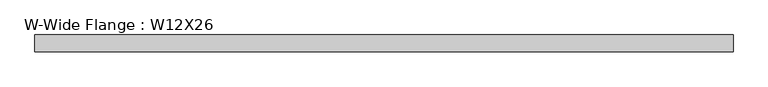
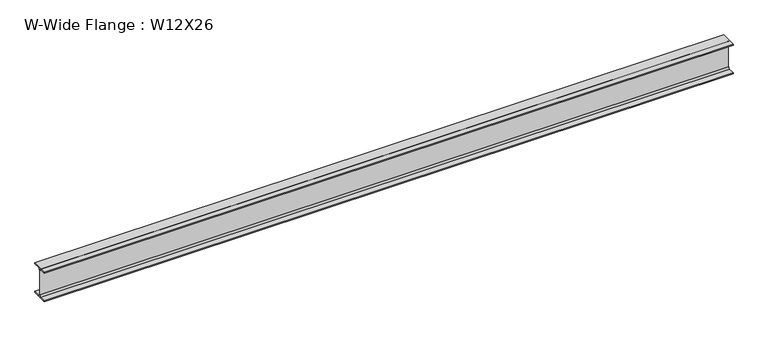
"""IFC4 building model written with IfcOpenShell, lengths in millimetres: beam geometry, W-Wide Flange : W12X26."""

from ifc_helpers import new_model, si_unit, point, frame, frame_2d, origin, place, context, project, spatial, polyline, circle_curve, trimmed, segment, composite_curve, outline, extrude, source, transform, mapped, element, save


def w_wide_flange_w12x26_95f83728(model_context):
    return source(origin(), model_context, "Body", "SweptSolid", [
        extrude(outline(composite_curve([segment(polyline([(82.4011719, -145.5539063), (82.4011719, -155.178125), (-82.4011719, -155.178125), (-82.4011719, -145.5539063), (-20.2902344, -145.5539063)]), True, "CONTINUOUS"), segment(trimmed(circle_curve(frame_2d((-20.2902344, -128.190625)), 17.3632812), [point((-20.2902344, -145.5539063))], [point((-2.9269531, -128.190625))], True, "CARTESIAN"), True, "CONTINUOUS"), segment(polyline([(-2.9269531, -128.190625), (-2.9269531, 128.190625)]), True, "CONTINUOUS"), segment(trimmed(circle_curve(frame_2d((-20.2902344, 128.190625)), 17.3632812), [point((-2.9269531, 128.190625))], [point((-20.2902344, 145.5539062))], True, "CARTESIAN"), True, "CONTINUOUS"), segment(polyline([(-20.2902344, 145.5539062), (-82.4011719, 145.5539062), (-82.4011719, 155.178125), (82.4011719, 155.178125), (82.4011719, 145.5539062), (20.2902344, 145.5539062)]), True, "CONTINUOUS"), segment(trimmed(circle_curve(frame_2d((20.2902344, 128.190625)), 17.3632812), [point((20.2902344, 145.5539062))], [point((2.9269531, 128.190625))], True, "CARTESIAN"), True, "CONTINUOUS"), segment(polyline([(2.9269531, 128.190625), (2.9269531, -128.190625)]), True, "CONTINUOUS"), segment(trimmed(circle_curve(frame_2d((20.2902344, -128.190625)), 17.3632812), [point((2.9269531, -128.190625))], [point((20.2902344, -145.5539063))], True, "CARTESIAN"), True, "CONTINUOUS"), segment(polyline([(20.2902344, -145.5539063), (82.4011719, -145.5539063)]), True, "CONTINUOUS")], self_intersect=False)), frame((-3437.8800781, 0.0, 0.0), z_axis=(1.0, 0.0, 0.0), x_axis=(0.0, 1.0, 0.0)), (0.0, 0.0, 1.0), 6875.7601563),
    ])


if __name__ == "__main__":
    model = new_model("IFC4")
    model_context = context("Model", 3, world=origin())
    ifc_project = project(units=[si_unit("LENGTHUNIT", "METRE", prefix="MILLI")], contexts=[model_context])
    site = spatial("IfcSite", under=ifc_project)
    building = spatial("IfcBuilding", under=site)
    placement = place(None, origin())
    w_wide_flange_w12x26_shape = w_wide_flange_w12x26_95f83728(model_context)
    element("IfcBeam", 1, ObjectType="W-Wide Flange : W12X26", at=placement, inside=building, context=model_context, shape_type="MappedRepresentation", body=[
        mapped(w_wide_flange_w12x26_shape, transform((0.0, 0.0, 0.0), x_axis=(1.0, 0.0, 0.0), y_axis=(0.0, 1.0, 0.0), z_axis=(0.0, 0.0, 1.0))),
    ])
    save(model, "model.ifc")
